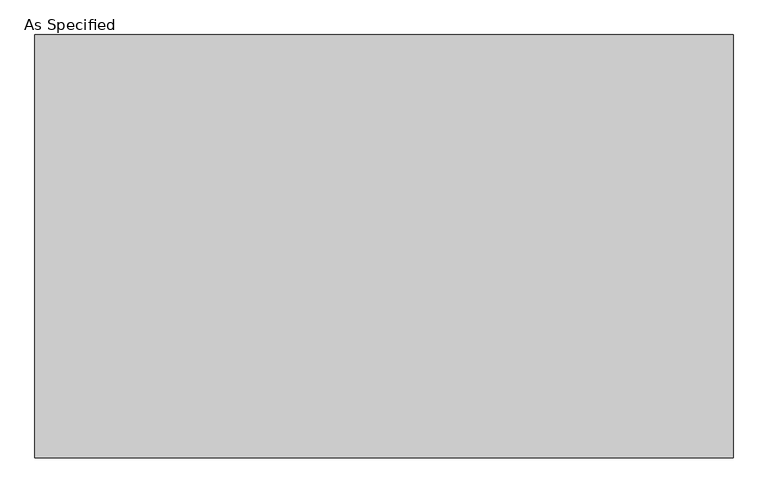
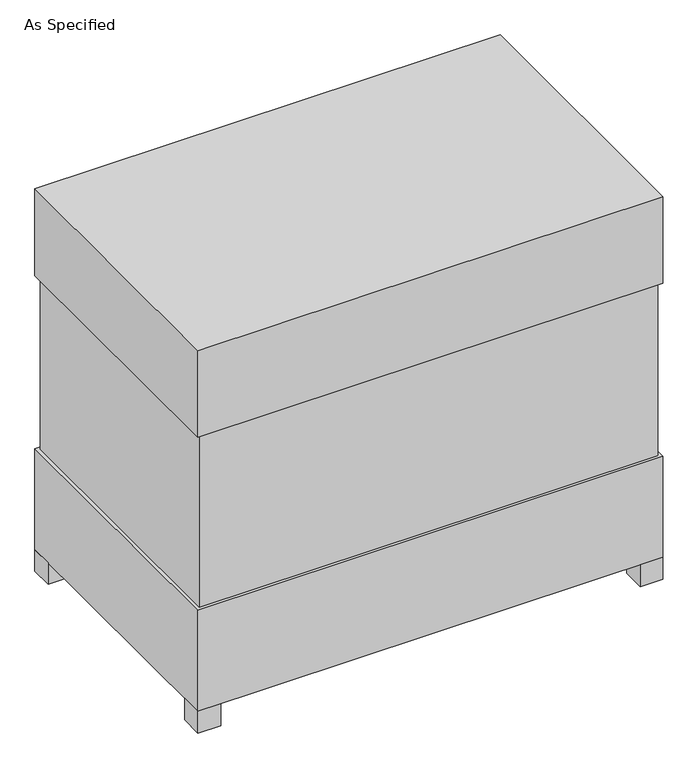
"""IFC4 building model written with IfcOpenShell, lengths in millimetres: proxy geometry, As Specified."""

from ifc_helpers import new_model, si_unit, frame, origin, origin_with_axes, place, context, project, spatial, polyline, outline, extrude, source, transform, mapped, element, save


def as_specified_da9e8ef7(model_context):
    return source(origin(), model_context, "Body", "SweptSolid", [
        extrude(outline(polyline([(763.5875, 458.7875), (763.5875, -458.7875), (-763.5875, -458.7875), (-763.5875, 458.7875), (763.5875, 458.7875)])), frame((0.0, 0.0, 431.8), z_axis=(0.0, 0.0, 1.0), x_axis=(1.0, 0.0, 0.0)), (0.0, 0.0, 1.0), 609.6),
        extrude(outline(polyline([(774.7, 469.9), (774.7, -469.9), (-774.7, -469.9), (-774.7, 469.9), (774.7, 469.9)])), frame((0.0, 0.0, 1041.4), z_axis=(0.0, 0.0, 1.0), x_axis=(1.0, 0.0, 0.0)), (0.0, 0.0, 1.0), 304.8),
        extrude(outline(polyline([(660.4, 254.0), (660.4, 177.8), (584.2, 177.8), (584.2, 254.0), (660.4, 254.0)])), frame((0.0, 0.0, 50.8), z_axis=(0.0, 0.0, 1.0), x_axis=(1.0, 0.0, 0.0)), (0.0, 0.0, 1.0), 25.4),
        extrude(outline(polyline([(660.4, -177.8), (660.4, -254.0), (584.2, -254.0), (584.2, -177.8), (660.4, -177.8)])), frame((0.0, 0.0, 50.8), z_axis=(0.0, 0.0, 1.0), x_axis=(1.0, 0.0, 0.0)), (0.0, 0.0, 1.0), 25.4),
        extrude(outline(polyline([(-698.5, 469.9), (-698.5, 393.7), (-774.7, 393.7), (-774.7, 469.9), (-698.5, 469.9)])), origin_with_axes(), (0.0, 0.0, 1.0), 76.2),
        extrude(outline(polyline([(774.7, 469.9), (774.7, 393.7), (698.5, 393.7), (698.5, 469.9), (774.7, 469.9)])), origin_with_axes(), (0.0, 0.0, 1.0), 76.2),
        extrude(outline(polyline([(774.7, -393.7), (774.7, -469.9), (698.5, -469.9), (698.5, -393.7), (774.7, -393.7)])), origin_with_axes(), (0.0, 0.0, 1.0), 76.2),
        extrude(outline(polyline([(-698.5, -393.7), (-698.5, -469.9), (-774.7, -469.9), (-774.7, -393.7), (-698.5, -393.7)])), origin_with_axes(), (0.0, 0.0, 1.0), 76.2),
        extrude(outline(polyline([(774.7, 469.9), (774.7, -469.9), (-774.7, -469.9), (-774.7, 469.9), (774.7, 469.9)])), frame((0.0, 0.0, 76.2), z_axis=(0.0, 0.0, 1.0), x_axis=(1.0, 0.0, 0.0)), (0.0, 0.0, 1.0), 355.6),
    ])


if __name__ == "__main__":
    model = new_model("IFC4")
    model_context = context("Model", 3, world=origin())
    ifc_project = project(units=[si_unit("LENGTHUNIT", "METRE", prefix="MILLI")], contexts=[model_context])
    site = spatial("IfcSite", under=ifc_project)
    building = spatial("IfcBuilding", under=site)
    placement = place(None, origin())
    as_specified_shape = as_specified_da9e8ef7(model_context)
    element("IfcBuildingElementProxy", 1, Name="As Specified", ObjectType="As Specified", at=placement, inside=building, context=model_context, shape_type="MappedRepresentation", body=[
        mapped(as_specified_shape, transform((0.0, 0.0, 0.0), x_axis=(1.0, 0.0, 0.0), y_axis=(0.0, 1.0, 0.0), z_axis=(0.0, 0.0, 1.0))),
    ])
    save(model, "model.ifc")
